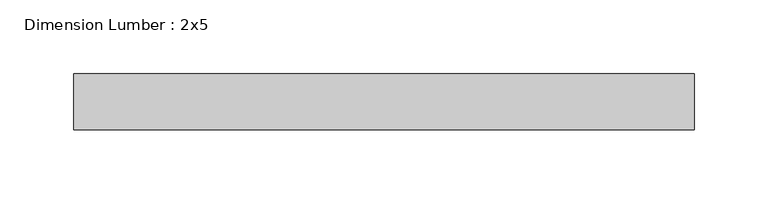
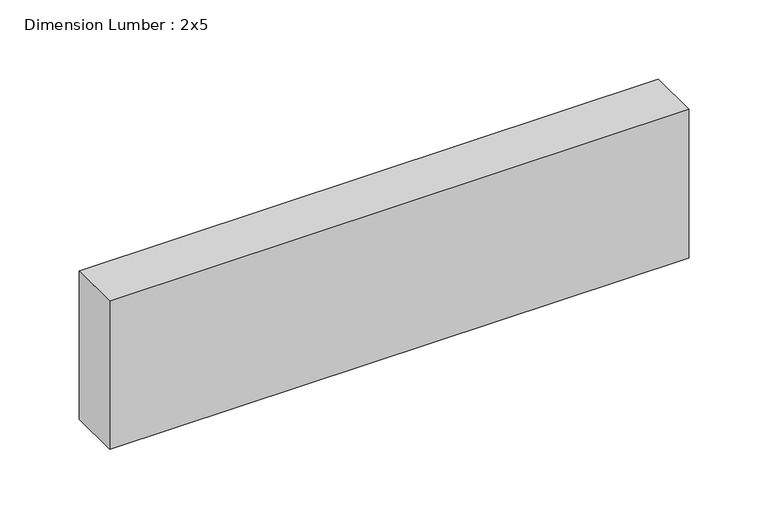
"""IFC4 building model written with IfcOpenShell, lengths in millimetres: beam geometry, Dimension Lumber : 2x5."""

from ifc_helpers import new_model, si_unit, frame, origin, place, context, project, spatial, polyline, outline, extrude, source, transform, mapped, element, save


def dimension_lumber_2x5_636a5646(model_context):
    return source(origin(), model_context, "Body", "SweptSolid", [
        extrude(outline(polyline([(207.9554256, 19.05), (207.9554256, -19.05), (-213.0073946, -19.05), (-213.0073946, 19.05), (207.9554256, 19.05)])), frame((0.0, 0.0, -57.15), z_axis=(0.0, 0.0, 1.0), x_axis=(1.0, 0.0, 0.0)), (0.0, 0.0, 1.0), 114.3),
    ])


if __name__ == "__main__":
    model = new_model("IFC4")
    model_context = context("Model", 3, world=origin())
    ifc_project = project(units=[si_unit("LENGTHUNIT", "METRE", prefix="MILLI")], contexts=[model_context])
    site = spatial("IfcSite", under=ifc_project)
    building = spatial("IfcBuilding", under=site)
    placement = place(None, origin())
    dimension_lumber_2x5_shape = dimension_lumber_2x5_636a5646(model_context)
    element("IfcBeam", 1, ObjectType="Dimension Lumber : 2x5", at=placement, inside=building, context=model_context, shape_type="MappedRepresentation", body=[
        mapped(dimension_lumber_2x5_shape, transform((0.0, 0.0, 0.0), x_axis=(1.0, 0.0, 0.0), y_axis=(0.0, 1.0, 0.0), z_axis=(0.0, 0.0, 1.0))),
    ])
    save(model, "model.ifc")
